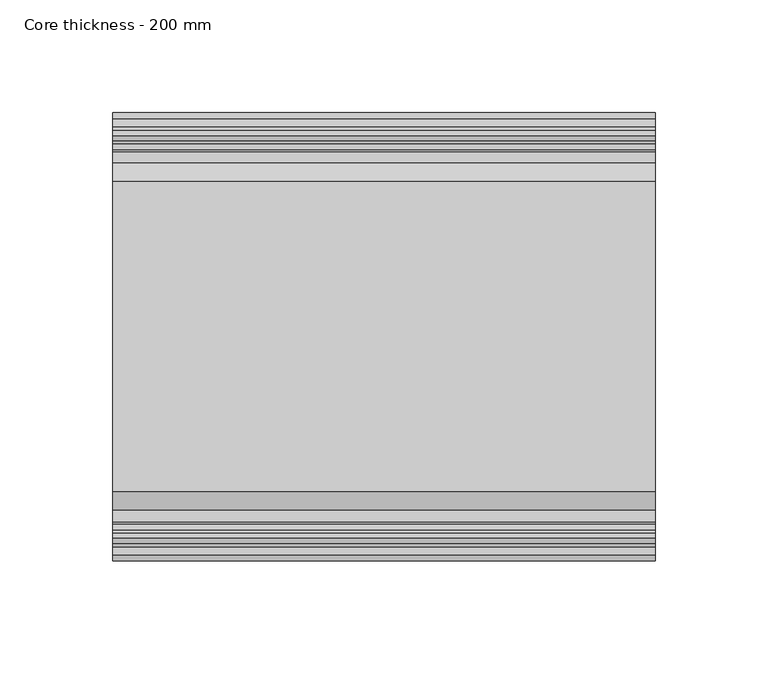
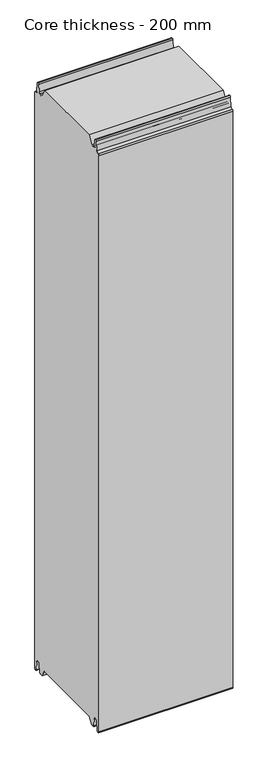
"""IFC4 building model written with IfcOpenShell, lengths in millimetres: plate geometry, Core thickness - 200 mm."""

from ifc_helpers import new_model, si_unit, frame, origin, place, context, project, spatial, polyline, circle_curve, source, transform, mapped, element, save
from ifc_brep_helpers import plane_surface, cylinder_surface, revolved_surface, advanced_brep


def core_thickness_200_mm_6cb635df(model_context):
    return source(origin(), model_context, "Body", "AdvancedBrep", [
        advanced_brep(
        [(119.9999998, -169.873448, 15.0417681), (119.9999998, -30.126552, 15.0417681), (119.9999998, -23.4086055, 3.0684055), (119.9999998, -17.4169005, 3.0684055), (119.9999998, -19.6169005, 5.265779), (119.9999998, -18.8169005, 5.265779), (119.9999998, -16.0235822, 5.1291629), (119.9999998, -14.6379549, 19.2608832), (119.9999998, -10.8223285, 22.6899182), (119.9999998, -7.0067021, 19.2608832), (119.9999998, -5.3893281, 2.7656275), (119.9999998, -0.8003051, 2.9900682), (119.9999998, -0.8, 1093.8000005), (119.9999998, -3.3660185, 1096.1942726), (119.9999998, -6.8790665, 1099.1779769), (119.9999998, -8.5415667, 1116.1334653), (119.9999998, -10.8223285, 1118.1999998), (119.9999998, -13.1030903, 1116.1334653), (119.9999998, -14.4357929, 1102.5415123), (119.9999998, -17.0233841, 1100.1952279), (119.9999998, -18.1003051, 1100.1952279), (119.9999998, -18.7003051, 1099.5952279), (119.9999998, -18.7003051, 1098.4952279), (119.9999998, -19.5003051, 1098.4952279), (119.9999998, -19.5003051, 1099.5952279), (119.9999998, -18.1003051, 1100.9952279), (119.9999998, -19.5003051, 1100.9952279), (119.9999998, -23.1062917, 1100.9952279), (119.9999998, -31.1628062, 1115.044651), (119.9999998, -168.7531937, 1115.044651), (119.9999998, -176.8937083, 1100.9952279), (119.9999998, -180.4996949, 1100.9952279), (119.9999998, -181.8996949, 1100.9952279), (119.9999998, -180.4996949, 1099.5952279), (119.9999998, -180.4996949, 1098.4952279), (119.9999998, -181.2996949, 1098.4952279), (119.9999998, -181.2996949, 1099.5952279), (119.9999998, -181.8996949, 1100.1952279), (119.9999998, -182.9766159, 1100.1952279), (119.9999998, -185.5642071, 1102.5415123), (119.9999998, -186.8969097, 1116.1334653), (119.9999998, -189.1776715, 1118.1999998), (119.9999998, -191.4584333, 1116.1334653), (119.9999998, -193.1209335, 1099.1779769), (119.9999998, -196.6330399, 1096.2078763), (119.9999998, -199.1996949, 1093.8000005), (119.9999998, -199.2, 2.9900682), (119.9999998, -194.6106719, 2.7656275), (119.9999998, -192.9932979, 19.2608832), (119.9999998, -189.1776715, 22.6899182), (119.9999998, -185.3620451, 19.2608832), (119.9999998, -183.9764178, 5.1291629), (119.9999998, -181.1830995, 5.265779), (119.9999998, -180.3830995, 5.265779), (119.9999998, -182.5830995, 3.065779), (119.9999998, -176.5913945, 3.0684055), (-119.9999998, -176.8937083, 1100.9952279), (-119.9999998, -168.7531937, 1115.044651), (-119.9999998, -31.1628062, 1115.044651), (-119.9999998, -23.1062917, 1100.9952279), (-119.9999998, -19.5003051, 1100.9952279), (-119.9999998, -18.1003051, 1100.9952279), (-119.9999998, -19.5003051, 1099.5952279), (-119.9999998, -19.5003051, 1098.4952279), (-119.9999998, -18.7003051, 1098.4952279), (-119.9999998, -18.7003051, 1099.5952279), (-119.9999998, -18.1003051, 1100.1952279), (-119.9999998, -17.0233841, 1100.1952279), (-119.9999998, -14.4357929, 1102.5415123), (-119.9999998, -13.1030903, 1116.1334653), (-119.9999998, -10.8223285, 1118.1999998), (-119.9999998, -8.5415667, 1116.1334653), (-119.9999998, -6.8790665, 1099.1779769), (-119.9999998, -3.3669601, 1096.2078763), (-119.9999998, -0.8003051, 1093.8000005), (-119.9999998, -0.8, 2.9900682), (-119.9999998, -5.3893281, 2.7656275), (-119.9999998, -7.0067021, 19.2608832), (-119.9999998, -10.8223285, 22.6899182), (-119.9999998, -14.6379549, 19.2608832), (-119.9999998, -16.0235822, 5.1291629), (-119.9999998, -18.8169005, 5.265779), (-119.9999998, -19.6169005, 5.265779), (-119.9999998, -17.4169005, 3.065779), (-119.9999998, -23.4086055, 3.0684055), (-119.9999998, -30.126552, 15.0417681), (-119.9999998, -169.873448, 15.0417681), (-119.9999998, -176.5913945, 3.0684055), (-119.9999998, -182.5830995, 3.0684055), (-119.9999998, -180.3830995, 5.265779), (-119.9999998, -181.1830995, 5.265779), (-119.9999998, -183.9764178, 5.1291629), (-119.9999998, -185.3620451, 19.2608832), (-119.9999998, -189.1776715, 22.6899182), (-119.9999998, -192.9932979, 19.2608832), (-119.9999998, -194.6106719, 2.7656275), (-119.9999998, -199.1996949, 2.9900682), (-119.9999998, -199.2, 1093.8000005), (-119.9999998, -196.6339815, 1096.1942726), (-119.9999998, -193.1209335, 1099.1779769), (-119.9999998, -191.4584333, 1116.1334653), (-119.9999998, -189.1776715, 1118.1999998), (-119.9999998, -186.8969097, 1116.1334653), (-119.9999998, -185.5642071, 1102.5415123), (-119.9999998, -182.9766159, 1100.1952279), (-119.9999998, -181.8996949, 1100.1952279), (-119.9999998, -181.2996949, 1099.5952279), (-119.9999998, -181.2996949, 1098.4952279), (-119.9999998, -180.4996949, 1098.4952279), (-119.9999998, -180.4996949, 1099.5952279), (-119.9999998, -181.8996949, 1100.9952279), (-119.9999998, -180.4996949, 1100.9952279)],
        [
            (0, 1),
            (1, 2),
            (2, 3),
            (3, 4, circle_curve(frame((119.9999998, -17.4169005, 5.265779), z_axis=(-1.0, 0.0, 0.0), x_axis=(0.0, 0.0, -1.0)), 2.2)),
            (4, 5),
            (5, 6, circle_curve(frame((119.9999998, -17.4169005, 5.265779), z_axis=(1.0, 0.0, 0.0), x_axis=(0.0, 0.0, -1.0)), 1.4)),
            (6, 7),
            (7, 8, circle_curve(frame((119.9999998, -10.8560907, 18.8900682), z_axis=(-1.0, 0.0, 0.0), x_axis=(0.0, 0.0, -1.0)), 3.8)),
            (8, 9, circle_curve(frame((119.9999998, -10.7885662, 18.8900682), z_axis=(-1.0, 0.0, 0.0), x_axis=(0.0, 0.0, -1.0)), 3.8)),
            (9, 10),
            (10, 11, circle_curve(frame((119.9999998, -3.1003051, 2.9900682), z_axis=(1.0, 0.0, 0.0), x_axis=(0.0, 0.0, -1.0)), 2.3)),
            (11, 12),
            (12, 13, circle_curve(frame((119.9999998, -3.2003051, 1093.8000005), z_axis=(1.0, 0.0, 0.0), x_axis=(0.0, 0.0, -1.0)), 2.4)),
            (13, 14, circle_curve(frame((119.9999998, -3.5948161, 1099.5000005), z_axis=(-1.0, 0.0, 0.0), x_axis=(0.0, 0.0, -1.0)), 3.3)),
            (14, 15),
            (15, 16, circle_curve(frame((119.9999998, -10.8206374, 1115.9100005), z_axis=(1.0, 0.0, 0.0), x_axis=(0.0, 0.0, -1.0)), 2.29)),
            (16, 17, circle_curve(frame((119.9999998, -10.8240195, 1115.9100005), z_axis=(1.0, 0.0, 0.0), x_axis=(0.0, 0.0, -1.0)), 2.29)),
            (17, 18),
            (18, 19, circle_curve(frame((119.9999998, -17.0233841, 1102.7952279), z_axis=(-1.0, 0.0, 0.0), x_axis=(0.0, 0.0, -1.0)), 2.6)),
            (19, 20),
            (20, 21, circle_curve(frame((119.9999998, -18.1003051, 1099.5952279), z_axis=(1.0, 0.0, 0.0), x_axis=(0.0, 0.0, -1.0)), 0.6)),
            (21, 22),
            (22, 23),
            (23, 24),
            (24, 25, circle_curve(frame((119.9999998, -18.1003051, 1099.5952279), z_axis=(-1.0, 0.0, 0.0), x_axis=(0.0, 0.0, -1.0)), 1.4)),
            (25, 26),
            (26, 27),
            (27, 28),
            (28, 29),
            (29, 30),
            (30, 31),
            (31, 32),
            (32, 33, circle_curve(frame((119.9999998, -181.8996949, 1099.5952279), z_axis=(-1.0, 0.0, 0.0), x_axis=(0.0, 0.0, -1.0)), 1.4)),
            (33, 34),
            (34, 35),
            (35, 36),
            (36, 37, circle_curve(frame((119.9999998, -181.8996949, 1099.5952279), z_axis=(1.0, 0.0, 0.0), x_axis=(0.0, 0.0, -1.0)), 0.6)),
            (37, 38),
            (38, 39, circle_curve(frame((119.9999998, -182.9766159, 1102.7952279), z_axis=(-1.0, 0.0, 0.0), x_axis=(0.0, 0.0, -1.0)), 2.6)),
            (39, 40),
            (40, 41, circle_curve(frame((119.9999998, -189.1759805, 1115.9100005), z_axis=(1.0, 0.0, 0.0), x_axis=(0.0, 0.0, -1.0)), 2.29)),
            (41, 42, circle_curve(frame((119.9999998, -189.1793626, 1115.9100005), z_axis=(1.0, 0.0, 0.0), x_axis=(0.0, 0.0, -1.0)), 2.29)),
            (42, 43),
            (43, 44, circle_curve(frame((119.9999998, -196.4051839, 1099.5000005), z_axis=(-1.0, 0.0, 0.0), x_axis=(0.0, 0.0, -1.0)), 3.3)),
            (44, 45, circle_curve(frame((119.9999998, -196.7996949, 1093.8000005), z_axis=(1.0, 0.0, 0.0), x_axis=(0.0, 0.0, -1.0)), 2.4)),
            (45, 46),
            (46, 47, circle_curve(frame((119.9999998, -196.8996949, 2.9900682), z_axis=(1.0, 0.0, 0.0), x_axis=(0.0, 0.0, -1.0)), 2.3)),
            (47, 48),
            (48, 49, circle_curve(frame((119.9999998, -189.2114338, 18.8900682), z_axis=(-1.0, 0.0, 0.0), x_axis=(0.0, 0.0, -1.0)), 3.8)),
            (49, 50, circle_curve(frame((119.9999998, -189.1439093, 18.8900682), z_axis=(-1.0, 0.0, 0.0), x_axis=(0.0, 0.0, -1.0)), 3.8)),
            (50, 51),
            (51, 52, circle_curve(frame((119.9999998, -182.5830995, 5.265779), z_axis=(1.0, 0.0, 0.0), x_axis=(0.0, 0.0, -1.0)), 1.4)),
            (52, 53),
            (53, 54, circle_curve(frame((119.9999998, -182.5830995, 5.265779), z_axis=(-1.0, 0.0, 0.0), x_axis=(0.0, 0.0, -1.0)), 2.2)),
            (54, 55),
            (55, 0),
            (56, 57),
            (57, 58),
            (58, 59),
            (59, 60),
            (60, 61),
            (61, 62, circle_curve(frame((-119.9999998, -18.1003051, 1099.5952279), z_axis=(1.0, 0.0, 0.0), x_axis=(0.0, 0.0, -1.0)), 1.4)),
            (62, 63),
            (63, 64),
            (64, 65),
            (65, 66, circle_curve(frame((-119.9999998, -18.1003051, 1099.5952279), z_axis=(-1.0, 0.0, 0.0), x_axis=(0.0, 0.0, -1.0)), 0.6)),
            (66, 67),
            (67, 68, circle_curve(frame((-119.9999998, -17.0233841, 1102.7952279), z_axis=(1.0, 0.0, 0.0), x_axis=(0.0, 0.0, -1.0)), 2.6)),
            (68, 69),
            (69, 70, circle_curve(frame((-119.9999998, -10.8240195, 1115.9100005), z_axis=(-1.0, 0.0, 0.0), x_axis=(0.0, 0.0, -1.0)), 2.29)),
            (70, 71, circle_curve(frame((-119.9999998, -10.8206374, 1115.9100005), z_axis=(-1.0, 0.0, 0.0), x_axis=(0.0, 0.0, -1.0)), 2.29)),
            (71, 72),
            (72, 73, circle_curve(frame((-119.9999998, -3.5948161, 1099.5000005), z_axis=(1.0, 0.0, 0.0), x_axis=(0.0, 0.0, -1.0)), 3.3)),
            (73, 74, circle_curve(frame((-119.9999998, -3.2003051, 1093.8000005), z_axis=(-1.0, 0.0, 0.0), x_axis=(0.0, 0.0, -1.0)), 2.4)),
            (74, 75),
            (75, 76, circle_curve(frame((-119.9999998, -3.1003051, 2.9900682), z_axis=(-1.0, 0.0, 0.0), x_axis=(0.0, 0.0, -1.0)), 2.3)),
            (76, 77),
            (77, 78, circle_curve(frame((-119.9999998, -10.7885662, 18.8900682), z_axis=(1.0, 0.0, 0.0), x_axis=(0.0, 0.0, -1.0)), 3.8)),
            (78, 79, circle_curve(frame((-119.9999998, -10.8560907, 18.8900682), z_axis=(1.0, 0.0, 0.0), x_axis=(0.0, 0.0, -1.0)), 3.8)),
            (79, 80),
            (80, 81, circle_curve(frame((-119.9999998, -17.4169005, 5.265779), z_axis=(-1.0, 0.0, 0.0), x_axis=(0.0, 0.0, -1.0)), 1.4)),
            (81, 82),
            (82, 83, circle_curve(frame((-119.9999998, -17.4169005, 5.265779), z_axis=(1.0, 0.0, 0.0), x_axis=(0.0, 0.0, -1.0)), 2.2)),
            (83, 84),
            (84, 85),
            (85, 86),
            (86, 87),
            (87, 88),
            (88, 89, circle_curve(frame((-119.9999998, -182.5830995, 5.265779), z_axis=(1.0, 0.0, 0.0), x_axis=(0.0, 0.0, -1.0)), 2.2)),
            (89, 90),
            (90, 91, circle_curve(frame((-119.9999998, -182.5830995, 5.265779), z_axis=(-1.0, 0.0, 0.0), x_axis=(0.0, 0.0, -1.0)), 1.4)),
            (91, 92),
            (92, 93, circle_curve(frame((-119.9999998, -189.1439093, 18.8900682), z_axis=(1.0, 0.0, 0.0), x_axis=(0.0, 0.0, -1.0)), 3.8)),
            (93, 94, circle_curve(frame((-119.9999998, -189.2114338, 18.8900682), z_axis=(1.0, 0.0, 0.0), x_axis=(0.0, 0.0, -1.0)), 3.8)),
            (94, 95),
            (95, 96, circle_curve(frame((-119.9999998, -196.8996949, 2.9900682), z_axis=(-1.0, 0.0, 0.0), x_axis=(0.0, 0.0, -1.0)), 2.3)),
            (96, 97),
            (97, 98, circle_curve(frame((-119.9999998, -196.7996949, 1093.8000005), z_axis=(-1.0, 0.0, 0.0), x_axis=(0.0, 0.0, -1.0)), 2.4)),
            (98, 99, circle_curve(frame((-119.9999998, -196.4051839, 1099.5000005), z_axis=(1.0, 0.0, 0.0), x_axis=(0.0, 0.0, -1.0)), 3.3)),
            (99, 100),
            (100, 101, circle_curve(frame((-119.9999998, -189.1793626, 1115.9100005), z_axis=(-1.0, 0.0, 0.0), x_axis=(0.0, 0.0, -1.0)), 2.29)),
            (101, 102, circle_curve(frame((-119.9999998, -189.1759805, 1115.9100005), z_axis=(-1.0, 0.0, 0.0), x_axis=(0.0, 0.0, -1.0)), 2.29)),
            (102, 103),
            (103, 104, circle_curve(frame((-119.9999998, -182.9766159, 1102.7952279), z_axis=(1.0, 0.0, 0.0), x_axis=(0.0, 0.0, -1.0)), 2.6)),
            (104, 105),
            (105, 106, circle_curve(frame((-119.9999998, -181.8996949, 1099.5952279), z_axis=(-1.0, 0.0, 0.0), x_axis=(0.0, 0.0, -1.0)), 0.6)),
            (106, 107),
            (107, 108),
            (108, 109),
            (109, 110, circle_curve(frame((-119.9999998, -181.8996949, 1099.5952279), z_axis=(1.0, 0.0, 0.0), x_axis=(0.0, 0.0, -1.0)), 1.4)),
            (110, 111),
            (111, 56),
            (30, 56),
            (110, 32),
            (29, 57),
            (28, 58),
            (27, 59),
            (25, 61),
            (1, 85),
            (84, 2),
            (0, 86),
            (55, 87),
            (83, 3),
            (54, 88),
            (109, 33),
            (108, 34),
            (107, 35),
            (106, 36),
            (105, 37),
            (104, 38),
            (103, 39),
            (102, 40),
            (101, 41),
            (100, 42),
            (99, 43),
            (98, 44),
            (97, 45),
            (96, 46),
            (95, 47),
            (94, 48),
            (93, 49),
            (92, 50),
            (91, 51),
            (90, 52),
            (89, 53),
            (74, 12),
            (11, 75),
            (73, 13),
            (72, 14),
            (71, 15),
            (70, 16),
            (69, 17),
            (68, 18),
            (67, 19),
            (66, 20),
            (65, 21),
            (64, 22),
            (63, 23),
            (62, 24),
            (82, 4),
            (81, 5),
            (80, 6),
            (79, 7),
            (78, 8),
            (77, 9),
            (76, 10),
        ],
        [
            plane_surface(frame((119.9999998, 0.0, 0.0), z_axis=(1.0, 0.0, 0.0), x_axis=(0.0, -1.0, 0.0))),
            plane_surface(frame((-119.9999998, 0.0, 0.0), z_axis=(-1.0, 0.0, 0.0), x_axis=(0.0, -1.0, 0.0))),
            plane_surface(frame((119.9999998, -176.8937083, 1100.9952279), z_axis=(0.0, 0.0, 1.0), x_axis=(-1.0, 0.0, 0.0))),
            plane_surface(frame((119.9999998, -168.7531937, 1115.044651), z_axis=(0.0, -0.8652489672717159, 0.5013424225369615), x_axis=(-1.0, 0.0, 0.0))),
            plane_surface(frame((119.9999998, -31.1628062, 1115.044651), z_axis=(0.0, 0.0, 1.0), x_axis=(-1.0, 0.0, 0.0))),
            plane_surface(frame((119.9999998, -23.1062917, 1100.9952279), z_axis=(0.0, 0.8674901459133322, 0.4974543664933155), x_axis=(-1.0, 0.0, 0.0))),
            plane_surface(frame((119.9999998, -17.0229218, 1100.9952279), z_axis=(0.0, 0.0, 1.0), x_axis=(-1.0, 0.0, 0.0))),
            plane_surface(frame((119.9999998, -30.126552, 15.0417681), z_axis=(0.0, -0.8721062992196836, -0.4893164649399687), x_axis=(-1.0, 0.0, 0.0))),
            plane_surface(frame((119.9999998, -169.873448, 15.0417681), z_axis=(0.0, 0.0, -1.0), x_axis=(-1.0, 0.0, 0.0))),
            plane_surface(frame((119.9999998, -176.8190247, 2.6627014), z_axis=(0.0, 0.8721062992196872, -0.4893164649399624), x_axis=(-1.0, 0.0, 0.0))),
            plane_surface(frame((-119.9999998, -182.5830995, 3.0684055), z_axis=(0.0, 0.0, -1.0), x_axis=(1.0, 0.0, 0.0))),
            revolved_surface(polyline([(119.99999980000001, -181.8996949, 1098.1952279), (-119.99999980000001, -181.8996949, 1098.1952279)]), (249.9999998, -181.8996949, 1099.5952279), (1.0, 0.0, 0.0)),
            plane_surface(frame((249.9999998, -180.4996949, 1098.4952279), z_axis=(0.0, -1.0, 0.0), x_axis=(-1.0, 0.0, 0.0))),
            plane_surface(frame((249.9999998, -181.2996949, 1098.4952279), z_axis=(0.0, 0.0, 1.0), x_axis=(-1.0, 0.0, 0.0))),
            plane_surface(frame((249.9999998, -181.2996949, 1099.5952279), z_axis=(0.0, 1.0, 0.0), x_axis=(-1.0, 0.0, 0.0))),
            cylinder_surface(frame((249.9999998, -181.8996949, 1099.5952279), z_axis=(-1.0, 0.0, 0.0), x_axis=(0.0, 0.0, -1.0)), 0.6),
            plane_surface(frame((249.9999998, -182.9766159, 1100.1952279), z_axis=(0.0, 0.0, 1.0), x_axis=(-1.0, 0.0, 0.0))),
            revolved_surface(polyline([(119.99999980000001, -182.9766159, 1100.1952279000002), (-119.99999980000001, -182.9766159, 1100.1952279000002)]), (249.9999998, -182.9766159, 1102.7952279), (1.0, 0.0, 0.0)),
            plane_surface(frame((249.9999998, -186.8969097, 1116.1334653), z_axis=(0.0, 0.9952273999818314, 0.09758289975914705), x_axis=(-1.0, 0.0, 0.0))),
            cylinder_surface(frame((249.9999998, -189.1759805, 1115.9100005), z_axis=(-1.0, 0.0, 0.0), x_axis=(0.0, 0.0, -1.0)), 2.29),
            cylinder_surface(frame((249.9999998, -189.1793626, 1115.9100005), z_axis=(-1.0, 0.0, 0.0), x_axis=(0.0, 0.0, -1.0)), 2.29),
            plane_surface(frame((249.9999998, -193.1209335, 1099.1779769), z_axis=(0.0, -0.9952273999818317, 0.09758289975914436), x_axis=(-1.0, 0.0, 0.0))),
            revolved_surface(polyline([(119.99999980000001, -196.4051839, 1096.2000005), (-119.99999980000001, -196.4051839, 1096.2000005)]), (249.9999998, -196.4051839, 1099.5000005), (1.0, 0.0, 0.0)),
            cylinder_surface(frame((249.9999998, -196.7996949, 1093.8000005), z_axis=(-1.0, 0.0, 0.0), x_axis=(0.0, 0.0, -1.0)), 2.4),
            plane_surface(frame((249.9999998, -199.2, 2.9900682), z_axis=(0.0, -1.0, 0.0), x_axis=(-1.0, 0.0, 0.0))),
            cylinder_surface(frame((249.9999998, -196.8996949, 2.9900682), z_axis=(-1.0, 0.0, 0.0), x_axis=(0.0, 0.0, -1.0)), 2.3),
            plane_surface(frame((249.9999998, -192.9932979, 19.2608832), z_axis=(0.0, 0.9952273999818314, -0.09758289975914787), x_axis=(-1.0, 0.0, 0.0))),
            revolved_surface(polyline([(119.99999980000001, -189.2114338, 15.090068200000001), (-119.99999980000001, -189.2114338, 15.090068200000001)]), (249.9999998, -189.2114338, 18.8900682), (1.0, 0.0, 0.0)),
            revolved_surface(polyline([(119.99999980000001, -189.1439093, 15.090068200000001), (-119.99999980000001, -189.1439093, 15.090068200000001)]), (249.9999998, -189.1439093, 18.8900682), (1.0, 0.0, 0.0)),
            plane_surface(frame((249.9999998, -183.9764178, 5.1291629), z_axis=(0.0, -0.9952273999818297, -0.09758289975916531), x_axis=(-1.0, 0.0, 0.0))),
            cylinder_surface(frame((249.9999998, -182.5830995, 5.265779), z_axis=(-1.0, 0.0, 0.0), x_axis=(0.0, 0.0, -1.0)), 1.4),
            plane_surface(frame((249.9999998, -180.3830995, 5.265779), z_axis=(0.0, 0.0, -1.0), x_axis=(-1.0, 0.0, 0.0))),
            revolved_surface(polyline([(119.99999980000001, -182.5830995, 3.065779), (-119.99999980000001, -182.5830995, 3.065779)]), (249.9999998, -182.5830995, 5.265779), (1.0, 0.0, 0.0)),
            plane_surface(frame((249.9999998, -0.8, 1093.8000005), z_axis=(0.0, 1.0, 0.0), x_axis=(-1.0, 0.0, 0.0))),
            cylinder_surface(frame((249.9999998, -3.2003051, 1093.8000005), z_axis=(-1.0, 0.0, 0.0), x_axis=(0.0, 0.0, -1.0)), 2.4),
            revolved_surface(polyline([(119.99999980000001, -3.5948161, 1096.2000005), (-119.99999980000001, -3.5948161, 1096.2000005)]), (249.9999998, -3.5948161, 1099.5000005), (1.0, 0.0, 0.0)),
            plane_surface(frame((249.9999998, -8.5415667, 1116.1334653), z_axis=(0.0, 0.9952273999818317, 0.09758289975914436), x_axis=(-1.0, 0.0, 0.0))),
            cylinder_surface(frame((249.9999998, -10.8206374, 1115.9100005), z_axis=(-1.0, 0.0, 0.0), x_axis=(0.0, 0.0, -1.0)), 2.29),
            cylinder_surface(frame((249.9999998, -10.8240195, 1115.9100005), z_axis=(-1.0, 0.0, 0.0), x_axis=(0.0, 0.0, -1.0)), 2.29),
            plane_surface(frame((249.9999998, -14.4357929, 1102.5415123), z_axis=(0.0, -0.9952273999818314, 0.09758289975914705), x_axis=(-1.0, 0.0, 0.0))),
            revolved_surface(polyline([(119.99999980000001, -17.0233841, 1100.1952279000002), (-119.99999980000001, -17.0233841, 1100.1952279000002)]), (249.9999998, -17.0233841, 1102.7952279), (1.0, 0.0, 0.0)),
            plane_surface(frame((249.9999998, -18.1003051, 1100.1952279), z_axis=(0.0, 0.0, 1.0), x_axis=(-1.0, 0.0, 0.0))),
            cylinder_surface(frame((249.9999998, -18.1003051, 1099.5952279), z_axis=(-1.0, 0.0, 0.0), x_axis=(0.0, 0.0, -1.0)), 0.6),
            plane_surface(frame((249.9999998, -18.7003051, 1098.4952279), z_axis=(0.0, -1.0, 0.0), x_axis=(-1.0, 0.0, 0.0))),
            plane_surface(frame((249.9999998, -19.5003051, 1098.4952279), z_axis=(0.0, 0.0, 1.0), x_axis=(-1.0, 0.0, 0.0))),
            plane_surface(frame((249.9999998, -19.5003051, 1099.5952279), z_axis=(0.0, 1.0, 0.0), x_axis=(-1.0, 0.0, 0.0))),
            revolved_surface(polyline([(119.99999980000001, -18.1003051, 1098.1952279), (-119.99999980000001, -18.1003051, 1098.1952279)]), (249.9999998, -18.1003051, 1099.5952279), (1.0, 0.0, 0.0)),
            revolved_surface(polyline([(119.99999980000001, -17.4169005, 3.065779), (-119.99999980000001, -17.4169005, 3.065779)]), (249.9999998, -17.4169005, 5.265779), (1.0, 0.0, 0.0)),
            plane_surface(frame((249.9999998, -18.8169005, 5.265779), z_axis=(0.0, 0.0, -1.0), x_axis=(-1.0, 0.0, 0.0))),
            cylinder_surface(frame((249.9999998, -17.4169005, 5.265779), z_axis=(-1.0, 0.0, 0.0), x_axis=(0.0, 0.0, -1.0)), 1.4),
            plane_surface(frame((249.9999998, -14.6379549, 19.2608832), z_axis=(0.0, 0.9952273999818297, -0.09758289975916531), x_axis=(-1.0, 0.0, 0.0))),
            revolved_surface(polyline([(119.99999980000001, -10.8560907, 15.090068200000001), (-119.99999980000001, -10.8560907, 15.090068200000001)]), (249.9999998, -10.8560907, 18.8900682), (1.0, 0.0, 0.0)),
            revolved_surface(polyline([(119.99999980000001, -10.7885662, 15.090068200000001), (-119.99999980000001, -10.7885662, 15.090068200000001)]), (249.9999998, -10.7885662, 18.8900682), (1.0, 0.0, 0.0)),
            plane_surface(frame((249.9999998, -5.3893281, 2.7656275), z_axis=(0.0, -0.9952273999818314, -0.09758289975914787), x_axis=(-1.0, 0.0, 0.0))),
            cylinder_surface(frame((249.9999998, -3.1003051, 2.9900682), z_axis=(-1.0, 0.0, 0.0), x_axis=(0.0, 0.0, -1.0)), 2.3),
        ],
        [
            (0, [[1, 2, 3, 4, 5, 6, 7, 8, 9, 10, 11, 12, 13, 14, 15, 16, 17, 18, 19, 20, 21, 22, 23, 24, 25, 26, 27, 28, 29, 30, 31, 32, 33, 34, 35, 36, 37, 38, 39, 40, 41, 42, 43, 44, 45, 46, 47, 48, 49, 50, 51, 52, 53, 54, 55, 56]]),
            (1, [[57, 58, 59, 60, 61, 62, 63, 64, 65, 66, 67, 68, 69, 70, 71, 72, 73, 74, 75, 76, 77, 78, 79, 80, 81, 82, 83, 84, 85, 86, 87, 88, 89, 90, 91, 92, 93, 94, 95, 96, 97, 98, 99, 100, 101, 102, 103, 104, 105, 106, 107, 108, 109, 110, 111, 112]]),
            (2, [[113, -112, -111, 114, -32, -31]]),
            (3, [[-30, 115, -57, -113]]),
            (4, [[-29, 116, -58, -115]]),
            (5, [[-28, 117, -59, -116]]),
            (6, [[-117, -27, -26, 118, -61, -60]]),
            (7, [[119, -85, 120, -2]]),
            (8, [[-1, 121, -86, -119]]),
            (9, [[-121, -56, 122, -87]]),
            (10, [[-3, -120, -84, 123]]),
            (10, [[-55, 124, -88, -122]]),
            (11, [[125, -33, -114, -110]]),
            (12, [[-125, -109, 126, -34]]),
            (13, [[-126, -108, 127, -35]]),
            (14, [[-127, -107, 128, -36]]),
            (15, [[-128, -106, 129, -37]]),
            (16, [[-129, -105, 130, -38]]),
            (17, [[-130, -104, 131, -39]]),
            (18, [[-131, -103, 132, -40]]),
            (19, [[-132, -102, 133, -41]]),
            (20, [[-133, -101, 134, -42]]),
            (21, [[-134, -100, 135, -43]]),
            (22, [[-135, -99, 136, -44]]),
            (23, [[-136, -98, 137, -45]]),
            (24, [[-137, -97, 138, -46]]),
            (25, [[-138, -96, 139, -47]]),
            (26, [[-139, -95, 140, -48]]),
            (27, [[-140, -94, 141, -49]]),
            (28, [[-141, -93, 142, -50]]),
            (29, [[-142, -92, 143, -51]]),
            (30, [[-143, -91, 144, -52]]),
            (31, [[-144, -90, 145, -53]]),
            (32, [[-145, -89, -124, -54]]),
            (33, [[146, -12, 147, -75]]),
            (34, [[-146, -74, 148, -13]]),
            (35, [[-148, -73, 149, -14]]),
            (36, [[-149, -72, 150, -15]]),
            (37, [[-150, -71, 151, -16]]),
            (38, [[-151, -70, 152, -17]]),
            (39, [[-152, -69, 153, -18]]),
            (40, [[-153, -68, 154, -19]]),
            (41, [[-154, -67, 155, -20]]),
            (42, [[-155, -66, 156, -21]]),
            (43, [[-156, -65, 157, -22]]),
            (44, [[-157, -64, 158, -23]]),
            (45, [[-158, -63, 159, -24]]),
            (46, [[-159, -62, -118, -25]]),
            (47, [[160, -4, -123, -83]]),
            (48, [[-160, -82, 161, -5]]),
            (49, [[-161, -81, 162, -6]]),
            (50, [[-162, -80, 163, -7]]),
            (51, [[-163, -79, 164, -8]]),
            (52, [[-164, -78, 165, -9]]),
            (53, [[-165, -77, 166, -10]]),
            (54, [[-166, -76, -147, -11]]),
        ],
    ),
    ])


if __name__ == "__main__":
    model = new_model("IFC4")
    model_context = context("Model", 3, world=origin())
    ifc_project = project(units=[si_unit("LENGTHUNIT", "METRE", prefix="MILLI")], contexts=[model_context])
    site = spatial("IfcSite", under=ifc_project)
    building = spatial("IfcBuilding", under=site)
    placement = place(None, origin())
    core_thickness_200_mm_shape = core_thickness_200_mm_6cb635df(model_context)
    element("IfcPlate", 1, ObjectType="Core thickness - 200 mm", at=placement, inside=building, context=model_context, shape_type="MappedRepresentation", body=[
        mapped(core_thickness_200_mm_shape, transform((0.0, 0.0, 0.0), x_axis=(1.0, 0.0, 0.0), y_axis=(0.0, 1.0, 0.0), z_axis=(0.0, 0.0, 1.0))),
    ])
    save(model, "model.ifc")
